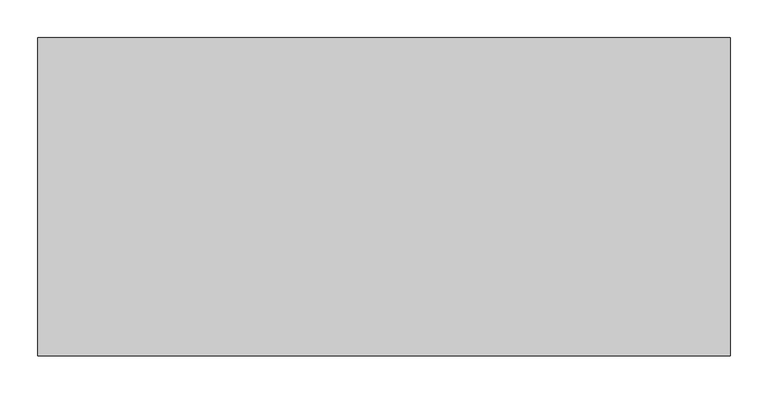
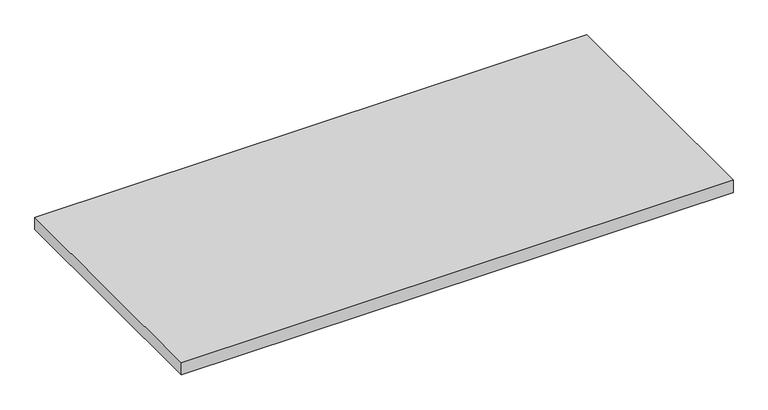
"""IFC4 building model written with IfcOpenShell, lengths in millimetres: furniture geometry."""

from ifc_helpers import new_model, si_unit, frame, origin, place, context, project, spatial, polyline, outline, extrude, source, transform, mapped, element, save


def furniture_c23f3153(model_context):
    return source(origin(), model_context, "Body", "SweptSolid", [
        extrude(outline(polyline([(914.4, -0.254), (914.4, -419.1), (3.4290001, -419.1), (3.4290001, -0.254), (914.4, -0.254)])), frame((0.0, 0.0, 562.7369999), z_axis=(0.0, 0.0, 1.0), x_axis=(1.0, 0.0, 0.0)), (0.0, 0.0, 1.0), 21.4630008),
    ])


if __name__ == "__main__":
    model = new_model("IFC4")
    model_context = context("Model", 3, world=origin())
    ifc_project = project(units=[si_unit("LENGTHUNIT", "METRE", prefix="MILLI")], contexts=[model_context])
    site = spatial("IfcSite", under=ifc_project)
    building = spatial("IfcBuilding", under=site)
    placement = place(None, origin())
    furniture_shape = furniture_c23f3153(model_context)
    element("IfcFurniture", 1, at=placement, inside=building, context=model_context, shape_type="MappedRepresentation", body=[
        mapped(furniture_shape, transform((0.0, 0.0, 0.0), x_axis=(1.0, 0.0, 0.0), y_axis=(0.0, 1.0, 0.0), z_axis=(0.0, 0.0, 1.0))),
    ])
    save(model, "model.ifc")
